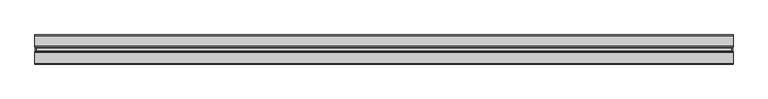
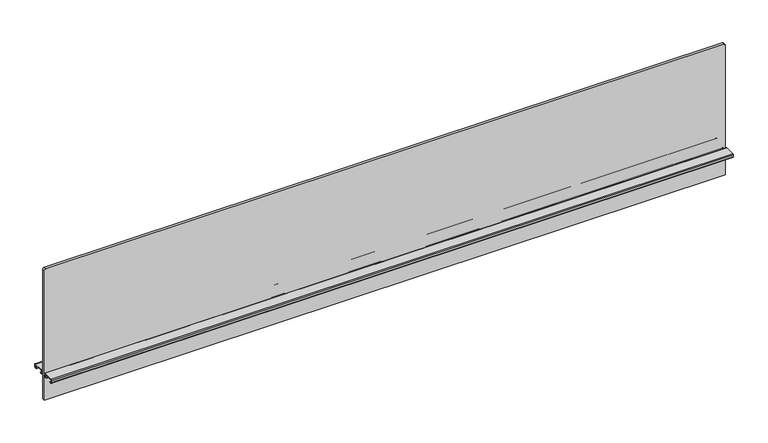
"""IFC4 building model written with IfcOpenShell, lengths in millimetres: furniture geometry."""

from ifc_helpers import new_model, si_unit, point, frame, frame_2d, origin, place, context, project, spatial, polyline, circle_curve, trimmed, segment, composite_curve, outline, extrude, source, transform, mapped, element, save


def furniture_aa05b23c(model_context):
    return source(origin(), model_context, "Body", "SweptSolid", [
        extrude(outline(composite_curve([segment(polyline([(1670.659613, 909.32), (1670.659613, -909.32)]), True, "CONTINUOUS"), segment(trimmed(circle_curve(frame_2d((1666.849613, -909.32)), 3.81), [point((1670.659613, -909.32))], [point((1666.849613, -913.13))], False, "CARTESIAN"), True, "CONTINUOUS"), segment(polyline([(1666.849613, -913.13), (1299.565613, -913.13), (1299.565613, 913.13), (1666.849613, 913.13)]), True, "CONTINUOUS"), segment(trimmed(circle_curve(frame_2d((1666.849613, 909.32)), 3.81), [point((1666.849613, 913.13))], [point((1670.659613, 909.32))], False, "CARTESIAN"), True, "CONTINUOUS")], self_intersect=False)), frame((0.0, -3.683001, 0.0), z_axis=(0.0, 1.0, 0.0), x_axis=(0.0, 0.0, 1.0)), (0.0, 0.0, 1.0), 7.3660021),
        extrude(outline(composite_curve([segment(trimmed(circle_curve(frame_2d((-8.1724496, 1376.8324064)), 2.032), [point((-8.1724496, 1378.8644064))], [point((-6.1404496, 1376.8324064))], False, "CARTESIAN"), True, "CONTINUOUS"), segment(polyline([(-6.1404496, 1376.8324064), (-6.1404496, 1370.7364161)]), True, "CONTINUOUS"), segment(trimmed(circle_curve(frame_2d((-8.1724496, 1370.7364161)), 2.032), [point((-6.1404496, 1370.7364161))], [point((-8.1724496, 1368.7044161))], False, "CARTESIAN"), True, "CONTINUOUS"), segment(polyline([(-8.1724496, 1368.7044161), (-13.4619988, 1368.7044161), (-13.4619988, 1369.6187498), (-8.0708496, 1369.6187498)]), True, "CONTINUOUS"), segment(trimmed(circle_curve(frame_2d((-8.0708496, 1370.6347498)), 1.016), [point((-8.0708496, 1369.6187498))], [point((-7.0548496, 1370.6347498))], True, "CARTESIAN"), True, "CONTINUOUS"), segment(polyline([(-7.0548496, 1370.6347498), (-7.0548496, 1376.934)]), True, "CONTINUOUS"), segment(trimmed(circle_curve(frame_2d((-8.0708496, 1376.934)), 1.016), [point((-7.0548496, 1376.934))], [point((-8.0708496, 1377.95))], True, "CARTESIAN"), True, "CONTINUOUS"), segment(polyline([(-8.0708496, 1377.95), (-36.1695996, 1377.95)]), True, "CONTINUOUS"), segment(trimmed(circle_curve(frame_2d((-36.1695996, 1376.934)), 1.016), [point((-36.1695996, 1377.95))], [point((-37.1855996, 1376.934))], True, "CARTESIAN"), True, "CONTINUOUS"), segment(polyline([(-37.1855996, 1376.934), (-37.1855996, 1370.6347498)]), True, "CONTINUOUS"), segment(trimmed(circle_curve(frame_2d((-36.1695996, 1370.6347498)), 1.016), [point((-37.1855996, 1370.6347498))], [point((-36.1695996, 1369.6187498))], True, "CARTESIAN"), True, "CONTINUOUS"), segment(polyline([(-36.1695996, 1369.6187498), (-30.7784504, 1369.6187498), (-30.7784504, 1368.7044161), (-36.0679996, 1368.7044161)]), True, "CONTINUOUS"), segment(trimmed(circle_curve(frame_2d((-36.0679996, 1370.7364161)), 2.032), [point((-36.0679996, 1368.7044161))], [point((-38.0999996, 1370.7364161))], False, "CARTESIAN"), True, "CONTINUOUS"), segment(polyline([(-38.0999996, 1370.7364161), (-38.0999996, 1376.8324064)]), True, "CONTINUOUS"), segment(trimmed(circle_curve(frame_2d((-36.0679996, 1376.8324064)), 2.032), [point((-38.0999996, 1376.8324064))], [point((-36.0679996, 1378.8644064))], False, "CARTESIAN"), True, "CONTINUOUS"), segment(polyline([(-36.0679996, 1378.8644064), (-8.1724496, 1378.8644064)]), True, "CONTINUOUS")], self_intersect=False)), frame((-914.4, 0.0, 0.0), z_axis=(1.0, 0.0, 0.0), x_axis=(0.0, 1.0, 0.0)), (0.0, 0.0, 1.0), 1828.8),
        extrude(outline(composite_curve([segment(polyline([(8.1724496, 1378.8644064), (36.0679996, 1378.8644064)]), True, "CONTINUOUS"), segment(trimmed(circle_curve(frame_2d((36.0679996, 1376.8324064)), 2.032), [point((36.0679996, 1378.8644064))], [point((38.0999996, 1376.8324064))], False, "CARTESIAN"), True, "CONTINUOUS"), segment(polyline([(38.0999996, 1376.8324064), (38.0999996, 1370.7364161)]), True, "CONTINUOUS"), segment(trimmed(circle_curve(frame_2d((36.0679996, 1370.7364161)), 2.032), [point((38.0999996, 1370.7364161))], [point((36.0679996, 1368.7044161))], False, "CARTESIAN"), True, "CONTINUOUS"), segment(polyline([(36.0679996, 1368.7044161), (30.7784504, 1368.7044161), (30.7784504, 1369.6187498), (36.1695996, 1369.6187498)]), True, "CONTINUOUS"), segment(trimmed(circle_curve(frame_2d((36.1695996, 1370.6347498)), 1.016), [point((36.1695996, 1369.6187498))], [point((37.1855996, 1370.6347498))], True, "CARTESIAN"), True, "CONTINUOUS"), segment(polyline([(37.1855996, 1370.6347498), (37.1855996, 1376.934)]), True, "CONTINUOUS"), segment(trimmed(circle_curve(frame_2d((36.1695996, 1376.934)), 1.016), [point((37.1855996, 1376.934))], [point((36.1695996, 1377.95))], True, "CARTESIAN"), True, "CONTINUOUS"), segment(polyline([(36.1695996, 1377.95), (8.0708496, 1377.95)]), True, "CONTINUOUS"), segment(trimmed(circle_curve(frame_2d((8.0708496, 1376.934)), 1.016), [point((8.0708496, 1377.95))], [point((7.0548496, 1376.934))], True, "CARTESIAN"), True, "CONTINUOUS"), segment(polyline([(7.0548496, 1376.934), (7.0548496, 1370.6347498)]), True, "CONTINUOUS"), segment(trimmed(circle_curve(frame_2d((8.0708496, 1370.6347498)), 1.016), [point((7.0548496, 1370.6347498))], [point((8.0708496, 1369.6187498))], True, "CARTESIAN"), True, "CONTINUOUS"), segment(polyline([(8.0708496, 1369.6187498), (13.4619988, 1369.6187498), (13.4619988, 1368.7044161), (8.1724496, 1368.7044161)]), True, "CONTINUOUS"), segment(trimmed(circle_curve(frame_2d((8.1724496, 1370.7364161)), 2.032), [point((8.1724496, 1368.7044161))], [point((6.1404496, 1370.7364161))], False, "CARTESIAN"), True, "CONTINUOUS"), segment(polyline([(6.1404496, 1370.7364161), (6.1404496, 1376.8324064)]), True, "CONTINUOUS"), segment(trimmed(circle_curve(frame_2d((8.1724496, 1376.8324064)), 2.032), [point((6.1404496, 1376.8324064))], [point((8.1724496, 1378.8644064))], False, "CARTESIAN"), True, "CONTINUOUS")], self_intersect=False)), frame((-914.4, 0.0, 0.0), z_axis=(1.0, 0.0, 0.0), x_axis=(0.0, 1.0, 0.0)), (0.0, 0.0, 1.0), 1828.8),
    ])


if __name__ == "__main__":
    model = new_model("IFC4")
    model_context = context("Model", 3, world=origin())
    ifc_project = project(units=[si_unit("LENGTHUNIT", "METRE", prefix="MILLI")], contexts=[model_context])
    site = spatial("IfcSite", under=ifc_project)
    building = spatial("IfcBuilding", under=site)
    placement = place(None, origin())
    furniture_shape = furniture_aa05b23c(model_context)
    element("IfcFurniture", 1, at=placement, inside=building, context=model_context, shape_type="MappedRepresentation", body=[
        mapped(furniture_shape, transform((0.0, 0.0, 0.0), x_axis=(1.0, 0.0, 0.0), y_axis=(0.0, 1.0, 0.0), z_axis=(0.0, 0.0, 1.0))),
    ])
    save(model, "model.ifc")
